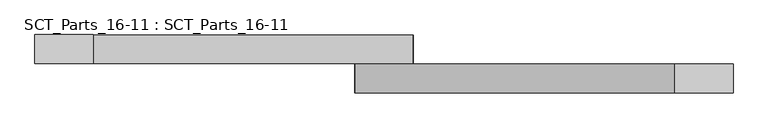
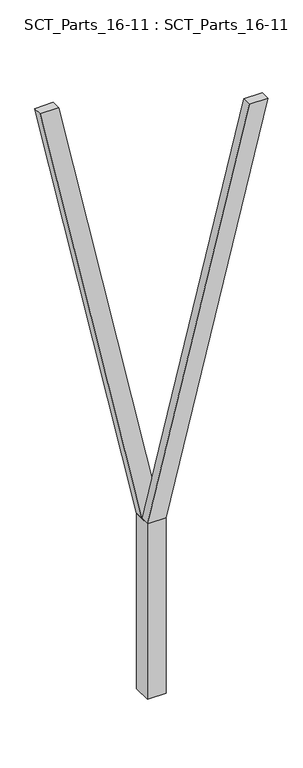
"""IFC4 building model written with IfcOpenShell, lengths in millimetres: proxy geometry, SCT_Parts_16-11 : SCT_Parts_16-11."""

from ifc_helpers import new_model, si_unit, frame, origin, origin_with_axes, place, context, project, spatial, polyline, outline, extrude, source, transform, mapped, element, save


def sct_parts_16_11_sct_parts_16_11_e04e1877(model_context):
    return source(origin(), model_context, "Body", "SweptSolid", [
        extrude(outline(polyline([(2000.0, 200.0), (6400.0, 1300.0), (6400.0, 1100.0), (2000.0, 0.0), (2000.0, 200.0)])), frame((0.0, -200.0, 0.0), z_axis=(0.0, 1.0, 0.0), x_axis=(0.0, 0.0, 1.0)), (0.0, 0.0, 1.0), 100.0),
        extrude(outline(polyline([(2000.0, 0.0), (2000.0, 200.0), (7000.0, -900.0), (7000.0, -1100.0), (2000.0, 0.0)])), frame((0.0, -100.0, 0.0), z_axis=(0.0, 1.0, 0.0), x_axis=(0.0, 0.0, 1.0)), (0.0, 0.0, 1.0), 100.0),
        extrude(outline(polyline([(200.0, -200.0), (0.0, -200.0), (0.0, 0.0), (200.0, 0.0), (200.0, -200.0)])), origin_with_axes(), (0.0, 0.0, 1.0), 2000.0),
    ])


if __name__ == "__main__":
    model = new_model("IFC4")
    model_context = context("Model", 3, world=origin())
    ifc_project = project(units=[si_unit("LENGTHUNIT", "METRE", prefix="MILLI")], contexts=[model_context])
    site = spatial("IfcSite", under=ifc_project)
    building = spatial("IfcBuilding", under=site)
    placement = place(None, origin())
    sct_parts_16_11_sct_parts_16_11_shape = sct_parts_16_11_sct_parts_16_11_e04e1877(model_context)
    element("IfcBuildingElementProxy", 1, Name="SCT_Parts_16-11 : SCT_Parts_16-11", ObjectType="SCT_Parts_16-11 : SCT_Parts_16-11", at=placement, inside=building, context=model_context, shape_type="MappedRepresentation", body=[
        mapped(sct_parts_16_11_sct_parts_16_11_shape, transform((0.0, 0.0, 0.0), x_axis=(1.0, 0.0, 0.0), y_axis=(0.0, 1.0, 0.0), z_axis=(0.0, 0.0, 1.0))),
    ])
    save(model, "model.ifc")
